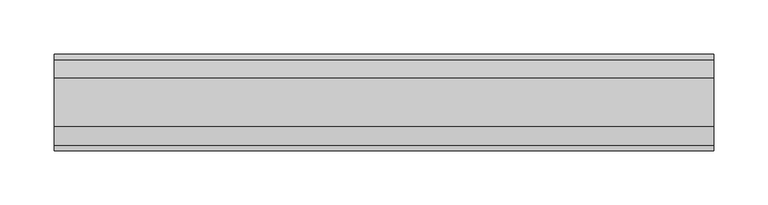
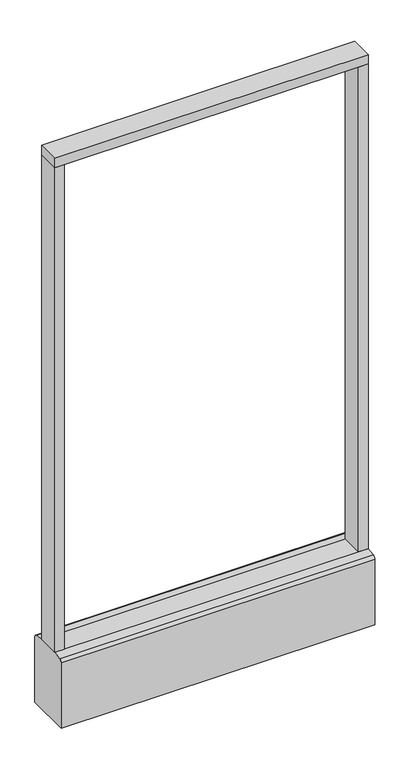
"""IFC4 building model written with IfcOpenShell, lengths in millimetres: furniture geometry."""

from ifc_helpers import new_model, si_unit, point, frame, frame_2d, origin, origin_with_axes, place, context, project, spatial, polyline, circle_curve, trimmed, segment, composite_curve, outline, extrude, source, transform, mapped, element, save


def furniture_cf9e3f71(model_context):
    return source(origin(), model_context, "Body", "SweptSolid", [
        extrude(outline(polyline([(304.8, -22.225), (-304.8, -22.225), (-304.8, 22.225), (304.8, 22.225), (304.8, -22.225)])), frame((0.0, 0.0, 1149.35), z_axis=(0.0, 0.0, 1.0), x_axis=(1.0, 0.0, 0.0)), (0.0, 0.0, 1.0), 19.05),
        extrude(outline(composite_curve([segment(trimmed(circle_curve(frame_2d((-228.6, 0.0)), 23.415625), [point((-252.015625, 0.0))], [point((-205.184375, 0.0))], False, "CARTESIAN"), True, "CONTINUOUS"), segment(trimmed(circle_curve(frame_2d((-228.6, 0.0)), 23.415625), [point((-205.184375, 0.0))], [point((-252.015625, 0.0))], False, "CARTESIAN"), True, "CONTINUOUS")], self_intersect=False)), origin_with_axes(), (0.0, 0.0, 1.0), 6.35),
        extrude(outline(composite_curve([segment(trimmed(circle_curve(frame_2d((228.6, 0.0)), 23.415625), [point((205.184375, 0.0))], [point((252.015625, 0.0))], False, "CARTESIAN"), True, "CONTINUOUS"), segment(trimmed(circle_curve(frame_2d((228.6, 0.0)), 23.415625), [point((252.015625, 0.0))], [point((205.184375, 0.0))], False, "CARTESIAN"), True, "CONTINUOUS")], self_intersect=False)), origin_with_axes(), (0.0, 0.0, 1.0), 6.35),
        extrude(outline(polyline([(-285.7500091, -22.225), (-304.8, -22.225), (-304.8, 22.225), (-285.7500091, 22.225), (-285.7500091, -22.225)])), frame((0.0, 0.0, 152.4), z_axis=(0.0, 0.0, 1.0), x_axis=(1.0, 0.0, 0.0)), (0.0, 0.0, 1.0), 996.95),
        extrude(outline(polyline([(304.8, -22.225), (285.7500091, -22.225), (285.7500091, 22.225), (304.8, 22.225), (304.8, -22.225)])), frame((0.0, 0.0, 152.4), z_axis=(0.0, 0.0, 1.0), x_axis=(1.0, 0.0, 0.0)), (0.0, 0.0, 1.0), 996.95),
        extrude(outline(composite_curve([segment(polyline([(-22.225, 152.4), (22.225, 152.4), (39.43219, 149.94183)]), True, "CONTINUOUS"), segment(trimmed(circle_curve(frame_2d((38.605678, 144.1562464)), 5.844322), [point((39.43219, 149.94183))], [point((44.45, 144.1562464))], False, "CARTESIAN"), True, "CONTINUOUS"), segment(polyline([(44.45, 144.1562464), (44.45, 9.525), (-44.4433083, 9.525), (-44.4433083, 144.1572033)]), True, "CONTINUOUS"), segment(trimmed(circle_curve(frame_2d((-38.5989863, 144.1572033)), 5.844322), [point((-44.4433083, 144.1572033))], [point((-39.4222979, 149.9432432))], False, "CARTESIAN"), True, "CONTINUOUS"), segment(polyline([(-39.4222979, 149.9432432), (-22.225, 152.4)]), True, "CONTINUOUS")], self_intersect=False)), frame((-304.8, 0.0, 0.0), z_axis=(1.0, 0.0, 0.0), x_axis=(0.0, 1.0, 0.0)), (0.0, 0.0, 1.0), 609.6),
        extrude(outline(composite_curve([segment(trimmed(circle_curve(frame_2d((-228.6, 0.0)), 5.55625), [point((-234.15625, 0.0))], [point((-223.04375, 0.0))], False, "CARTESIAN"), True, "CONTINUOUS"), segment(trimmed(circle_curve(frame_2d((-228.6, 0.0)), 5.55625), [point((-223.04375, 0.0))], [point((-234.15625, 0.0))], False, "CARTESIAN"), True, "CONTINUOUS")], self_intersect=False)), frame((0.0, 0.0, 6.35), z_axis=(0.0, 0.0, 1.0), x_axis=(1.0, 0.0, 0.0)), (0.0, 0.0, 1.0), 3.175),
        extrude(outline(composite_curve([segment(trimmed(circle_curve(frame_2d((228.6, 0.0)), 5.55625), [point((223.04375, 0.0))], [point((234.15625, 0.0))], False, "CARTESIAN"), True, "CONTINUOUS"), segment(trimmed(circle_curve(frame_2d((228.6, 0.0)), 5.55625), [point((234.15625, 0.0))], [point((223.04375, 0.0))], False, "CARTESIAN"), True, "CONTINUOUS")], self_intersect=False)), frame((0.0, 0.0, 6.35), z_axis=(0.0, 0.0, 1.0), x_axis=(1.0, 0.0, 0.0)), (0.0, 0.0, 1.0), 3.175),
    ])


if __name__ == "__main__":
    model = new_model("IFC4")
    model_context = context("Model", 3, world=origin())
    ifc_project = project(units=[si_unit("LENGTHUNIT", "METRE", prefix="MILLI")], contexts=[model_context])
    site = spatial("IfcSite", under=ifc_project)
    building = spatial("IfcBuilding", under=site)
    placement = place(None, origin())
    furniture_shape = furniture_cf9e3f71(model_context)
    element("IfcFurniture", 1, at=placement, inside=building, context=model_context, shape_type="MappedRepresentation", body=[
        mapped(furniture_shape, transform((0.0, 0.0, 0.0), x_axis=(1.0, 0.0, 0.0), y_axis=(0.0, 1.0, 0.0), z_axis=(0.0, 0.0, 1.0))),
    ])
    save(model, "model.ifc")
